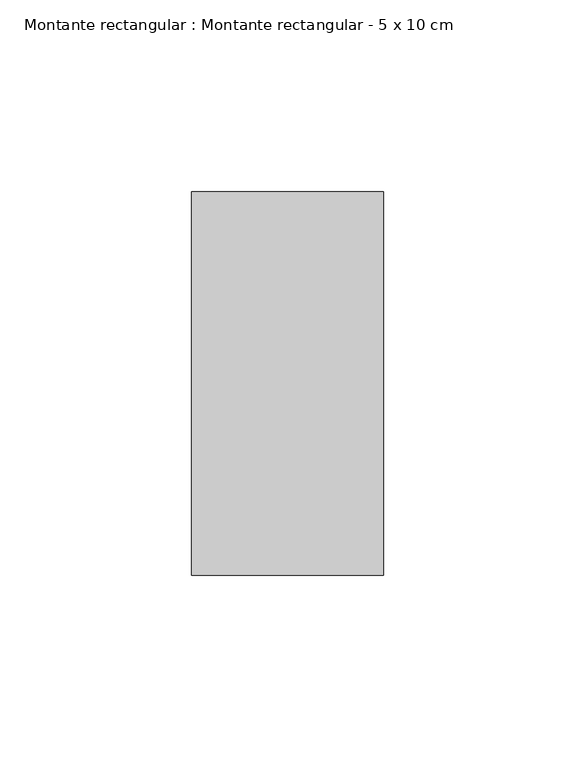
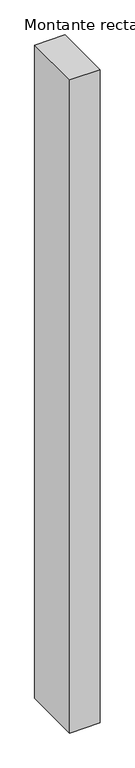
"""IFC4 building model written with IfcOpenShell, lengths in millimetres: member geometry, Montante rectangular : Montante rectangular - 5 x 10 cm."""

from ifc_helpers import new_model, si_unit, frame, origin, place, context, project, spatial, polyline, outline, extrude, source, transform, mapped, element, save


def montante_rectangular_montante_rectangular_5_x_10_cm_5a3a6211(model_context):
    return source(origin(), model_context, "Body", "SweptSolid", [
        extrude(outline(polyline([(-50.0, 50.0), (0.0, 50.0), (0.0, -50.0), (-50.0, -50.0), (-50.0, 50.0)])), frame((0.0, 0.0, -1140.0), z_axis=(0.0, 0.0, 1.0), x_axis=(1.0, 0.0, 0.0)), (0.0, 0.0, 1.0), 1140.0),
    ])


if __name__ == "__main__":
    model = new_model("IFC4")
    model_context = context("Model", 3, world=origin())
    ifc_project = project(units=[si_unit("LENGTHUNIT", "METRE", prefix="MILLI")], contexts=[model_context])
    site = spatial("IfcSite", under=ifc_project)
    building = spatial("IfcBuilding", under=site)
    placement = place(None, origin())
    montante_rectangular_montante_rectangular_5_x_10_cm_shape = montante_rectangular_montante_rectangular_5_x_10_cm_5a3a6211(model_context)
    element("IfcMember", 1, ObjectType="Montante rectangular : Montante rectangular - 5 x 10 cm", at=placement, inside=building, context=model_context, shape_type="MappedRepresentation", body=[
        mapped(montante_rectangular_montante_rectangular_5_x_10_cm_shape, transform((0.0, 0.0, 0.0), x_axis=(1.0, 0.0, 0.0), y_axis=(0.0, 1.0, 0.0), z_axis=(0.0, 0.0, 1.0))),
    ])
    save(model, "model.ifc")
